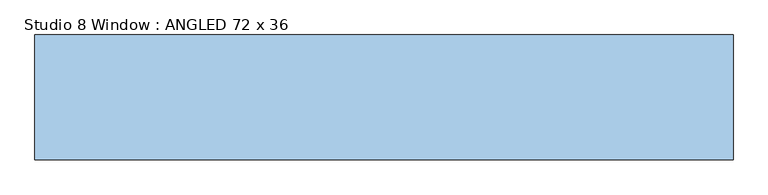
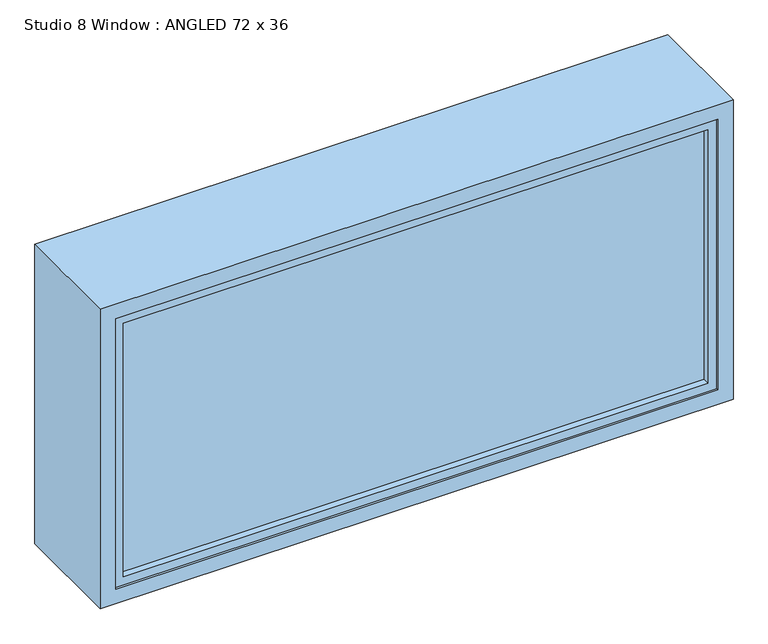
"""IFC4 building model written with IfcOpenShell, lengths in millimetres: window geometry, Studio 8 Window : ANGLED 72 x 36."""

import ifcopenshell
import ifcopenshell.guid

model = None  # the IFC model being written
_history = None  # IfcOwnerHistory: only IFC2X3 demands one
_inside = {}  # id of a spatial element -> (the spatial element, [elements in it])
_under = {}  # id of a project, library or spatial element -> (it, [spatial elements below it])
_declared = {}  # id of a project -> (the project, [libraries it declares])
_typed = {}  # id of a type object -> (the type object, [elements of that type])
_made_of = {}  # id of a material, layer set ... -> (it, [elements and type objects made of it])


def new_model(schema):
    """Start an empty IFC model of exactly this schema.

    Asked for "IFC4X3", IfcOpenShell would pick the latest addendum, in which some entities
    have other attributes; the version numbers below select the first issue.
    IFC2X3 requires an IfcOwnerHistory on every rooted entity: one is made here for all.
    """
    global model, _history
    if schema == "IFC4X3":
        model = ifcopenshell.file(schema_version=(4, 3, 0, 0))
    else:
        model = ifcopenshell.file(schema=schema)
    _inside.clear()
    _under.clear()
    _declared.clear()
    _typed.clear()
    _made_of.clear()
    _history = None
    if model.schema == "IFC2X3":
        org = make("IfcOrganization", Name="unknown")
        user = make(
            "IfcPersonAndOrganization",
            ThePerson=make("IfcPerson", FamilyName="unknown"),
            TheOrganization=org,
        )
        app = make(
            "IfcApplication",
            ApplicationDeveloper=org,
            Version="unknown",
            ApplicationFullName="unknown",
            ApplicationIdentifier="unknown",
        )
        _history = make(
            "IfcOwnerHistory",
            OwningUser=user,
            OwningApplication=app,
            ChangeAction="ADDED",
            CreationDate=0,
        )
    return model


def make(cls, **values):
    """One entity of the class cls with the attributes given. An attribute that is None is left unset."""
    return model.create_entity(
        cls, **{name: value for name, value in values.items() if value is not None}
    )


def rooted(cls, **values):
    """An entity with a GlobalId (a new one), such as an element, a storey or a relation."""
    return make(cls, GlobalId=ifcopenshell.guid.new(), OwnerHistory=_history, **values)


def si_unit(unit_type, name, prefix=None):
    """IfcSIUnit, for example si_unit("LENGTHUNIT", "METRE", prefix="MILLI")."""
    return make("IfcSIUnit", UnitType=unit_type, Prefix=prefix, Name=name)


def assignment(units):
    """IfcUnitAssignment: the units of a project."""
    return None if units is None else make("IfcUnitAssignment", Units=units)


def point(xyz):
    """IfcCartesianPoint."""
    return None if xyz is None else make("IfcCartesianPoint", Coordinates=xyz)


def direction(xyz):
    """IfcDirection."""
    return None if xyz is None else make("IfcDirection", DirectionRatios=xyz)


def frame(location, z_axis=None, x_axis=None):
    """IfcAxis2Placement3D, a coordinate frame: its origin and axes. An axis left out is left unset."""
    return make(
        "IfcAxis2Placement3D",
        Location=point(location),
        Axis=direction(z_axis),
        RefDirection=direction(x_axis),
    )


def origin():
    """The frame at (0, 0, 0) with its axes left unset."""
    return frame((0.0, 0.0, 0.0))


def place(relative_to, where):
    """IfcLocalPlacement: puts the frame where relative to a parent placement (None: the world)."""
    return make(
        "IfcLocalPlacement", PlacementRelTo=relative_to, RelativePlacement=where
    )


def context(
    kind, dimensions, precision=None, world=None, true_north=None, identifier=None
):
    """IfcGeometricRepresentationContext, for example the 3D "Model" context."""
    return make(
        "IfcGeometricRepresentationContext",
        ContextIdentifier=identifier,
        ContextType=kind,
        CoordinateSpaceDimension=dimensions,
        Precision=precision,
        WorldCoordinateSystem=world,
        TrueNorth=true_north,
    )


def project(units=None, contexts=None):
    """IfcProject with its units and contexts."""
    return rooted(
        "IfcProject",
        Name="project",
        RepresentationContexts=contexts,
        UnitsInContext=assignment(units),
    )


def spatial(cls, under=None, at=None, **own):
    """A site, building, storey or space (cls), placed at a placement, below another one or the project."""
    s = rooted(cls, ObjectPlacement=at, **own)
    if under is not None:
        _under.setdefault(under.id(), (under, []))[1].append(s)
    return s


def polyline(points):
    """IfcPolyline through the points."""
    return make("IfcPolyline", Points=[point(p) for p in points])


def outline(outer, holes=None, kind="AREA"):
    """IfcArbitraryClosedProfileDef: a profile drawn as a closed curve; with holes, ...WithVoids."""
    if holes is None:
        return make("IfcArbitraryClosedProfileDef", ProfileType=kind, OuterCurve=outer)
    return make(
        "IfcArbitraryProfileDefWithVoids",
        ProfileType=kind,
        OuterCurve=outer,
        InnerCurves=holes,
    )


def extrude(swept, where, along, depth):
    """IfcExtrudedAreaSolid: the profile swept, set in the frame where, extruded along a direction by depth."""
    return make(
        "IfcExtrudedAreaSolid",
        SweptArea=swept,
        Position=where,
        ExtrudedDirection=direction(along),
        Depth=depth,
    )


def faces_of(points, faces, orient=None, outer=None):
    """IfcFace entities. A face is a list of loops; a loop is a list of indices into points, from 0.

    orient and outer hold one flag for each loop. By default every Orientation is true, the
    first loop of a face is its IfcFaceOuterBound and the others are IfcFaceBound.
    """
    made = []
    for i, loops in enumerate(faces):
        bounds = []
        for j, loop in enumerate(loops):
            is_outer = j == 0 if outer is None else outer[i][j]
            bounds.append(
                make(
                    "IfcFaceOuterBound" if is_outer else "IfcFaceBound",
                    Bound=make("IfcPolyLoop", Polygon=[points[k] for k in loop]),
                    Orientation=True if orient is None else orient[i][j],
                )
            )
        made.append(make("IfcFace", Bounds=bounds))
    return made


def faceted_brep(points, faces, orient=None, outer=None, voids=None):
    """IfcFacetedBrep: a solid bounded by flat faces; with voids (closed shells), ...WithVoids."""
    shared = [point(p) for p in points]
    hull = make("IfcClosedShell", CfsFaces=faces_of(shared, faces, orient, outer))
    if voids is None:
        return make("IfcFacetedBrep", Outer=hull)
    return make(
        "IfcFacetedBrepWithVoids",
        Outer=hull,
        Voids=[
            make(cls, CfsFaces=faces_of(shared, fs, o, b)) for cls, fs, o, b in voids
        ],
    )


def shape(context_of_items, identifier, shape_type, items):
    """IfcShapeRepresentation: the items that make up one representation, for example the "Body"."""
    return make(
        "IfcShapeRepresentation",
        ContextOfItems=context_of_items,
        RepresentationIdentifier=identifier,
        RepresentationType=shape_type,
        Items=items,
    )


def source(mapping_origin, context_of_items, identifier, shape_type, items):
    """IfcRepresentationMap: a shape defined once, which mapped items show again and again."""
    return make(
        "IfcRepresentationMap",
        MappingOrigin=mapping_origin,
        MappedRepresentation=shape(context_of_items, identifier, shape_type, items),
    )


def transform(
    local_origin,
    x_axis=None,
    y_axis=None,
    z_axis=None,
    scale=None,
    scale2=None,
    scale3=None,
    uniform=True,
):
    """IfcCartesianTransformationOperator3D, or its non-uniform kind. x_axis, y_axis, z_axis: its Axis1, 2, 3."""
    if uniform:
        return make(
            "IfcCartesianTransformationOperator3D",
            Axis1=direction(x_axis),
            Axis2=direction(y_axis),
            LocalOrigin=point(local_origin),
            Scale=scale,
            Axis3=direction(z_axis),
        )
    return make(
        "IfcCartesianTransformationOperator3DnonUniform",
        Axis1=direction(x_axis),
        Axis2=direction(y_axis),
        LocalOrigin=point(local_origin),
        Scale=scale,
        Axis3=direction(z_axis),
        Scale2=scale2,
        Scale3=scale3,
    )


def mapped(mapping_source, mapping_target):
    """IfcMappedItem: shows the shape of a source again, moved by a transform."""
    return make(
        "IfcMappedItem", MappingSource=mapping_source, MappingTarget=mapping_target
    )


def made_of(thing, what):
    """Note that an element or type object is made of a material, layer set ...; save() writes the relation."""
    if what is not None:
        _made_of.setdefault(what.id(), (what, []))[1].append(thing)
    return thing


def element(
    cls,
    number,
    at=None,
    inside=None,
    cuts=None,
    type_object=None,
    material=None,
    context=None,
    identifier="Body",
    shape_type=None,
    held_by="IfcProductDefinitionShape",
    body=None,
    shapes=None,
    **own,
):
    """One element of the class cls, such as IfcWall. Its Tag is "e" and its number.

    at: its placement. inside: the storey or other place that contains it. cuts: it is an
    opening in that element (IfcRelVoidsElement). A single representation is given by context,
    identifier, shape_type and body (its items); several are given by shapes. held_by: the class
    of the entity that holds the representations. save() writes the other relations.
    """
    e = rooted(cls, Tag="e%d" % number, ObjectPlacement=at, **own)
    if body is not None:
        shapes = [shape(context, identifier, shape_type, body)]
    if shapes is not None:
        e.Representation = make(held_by, Representations=shapes)
    if inside is not None:
        _inside.setdefault(inside.id(), (inside, []))[1].append(e)
    if cuts is not None:
        rooted(
            "IfcRelVoidsElement", RelatingBuildingElement=cuts, RelatedOpeningElement=e
        )
    if type_object is not None:
        _typed.setdefault(type_object.id(), (type_object, []))[1].append(e)
    return made_of(e, material)


def aggregate(whole, parts):
    """IfcRelAggregates: a whole, such as a stair, and the parts it consists of."""
    return rooted("IfcRelAggregates", RelatingObject=whole, RelatedObjects=parts)


def save(model, path):
    """Write the relations noted so far, then the file.

    IfcRelAggregates (storeys below a building ...), IfcRelContainedInSpatialStructure (elements
    in a storey), IfcRelDefinesByType, IfcRelAssociatesMaterial and IfcRelDeclares: one each for
    every whole, place, type object, material and project.
    """
    for whole, parts in _under.values():
        aggregate(whole, parts)
    for where, things in _inside.values():
        rooted(
            "IfcRelContainedInSpatialStructure",
            RelatedElements=things,
            RelatingStructure=where,
        )
    for kind, things in _typed.values():
        rooted("IfcRelDefinesByType", RelatedObjects=things, RelatingType=kind)
    for what, things in _made_of.values():
        rooted("IfcRelAssociatesMaterial", RelatedObjects=things, RelatingMaterial=what)
    for by, libraries in _declared.values():
        rooted("IfcRelDeclares", RelatingContext=by, RelatedDefinitions=libraries)
    model.write(path)


def studio_8_window_angled_72_x_36_c2eb3558(model_context):
    return source(origin(), model_context, "Body", "SolidModel", [
        extrude(outline(polyline([(857.25, -76.1419262), (-857.25, -76.1419262), (-857.25, -66.4895469), (857.25, -66.4895469), (857.25, -76.1419262)])), frame((0.0, 0.0, 857.15), z_axis=(0.0, 0.0, 1.0), x_axis=(1.0, 0.0, 0.0)), (0.0, 0.0, 1.0), 800.1),
        extrude(outline(polyline([(857.25, 189.0444969), (-857.25, 189.0444969), (-857.25, 212.9214354), (857.25, 212.9214354), (857.25, 189.0444969)])), frame((0.0, 0.0, 857.15), z_axis=(0.0, 0.0, 1.0), x_axis=(1.0, 0.0, 0.0)), (0.0, 0.0, 1.0), 800.1),
        faceted_brep([(-914.4, 225.425, 1714.4), (-914.4, 225.425, 800.0), (-914.4, -101.6, 800.0), (-914.4, -101.6, 1714.4), (-869.9841948, -101.6, 1669.9841948), (-869.9841948, -101.6, 844.4158052), (-869.9841948, -96.208715, 844.4158052), (-869.9841948, -96.208715, 1669.9841948), (914.4, 225.425, 800.0), (914.4, -101.6, 800.0), (869.9841948, -101.6, 844.4158052), (869.9841948, -96.208715, 844.4158052), (914.4, 225.425, 1714.4), (914.4, -101.6, 1714.4), (869.9841948, -101.6, 1669.9841948), (869.9841948, -96.208715, 1669.9841948), (-869.9841948, 225.425, 1669.9841948), (-869.9841948, 225.425, 844.4158052), (869.9841948, 225.425, 844.4158052), (869.9841948, 225.425, 1669.9841948), (-869.9841948, 220.033715, 1669.9841948), (-869.9841948, 220.033715, 844.4158052), (-844.5831964, 180.9161775, 1644.5831964), (-844.5831964, 180.9161775, 869.8168036), (-844.5831964, 220.033715, 869.8168036), (-844.5831964, 220.033715, 1644.5831964), (-869.9841948, -57.0911775, 1669.9841948), (-869.9841948, -57.0911775, 844.4158052), (-869.9841948, 180.9161775, 844.4158052), (-869.9841948, 180.9161775, 1669.9841948), (-844.5831964, -96.208715, 1644.5831964), (-844.5831964, -96.208715, 869.8168036), (-844.5831964, -57.0911775, 869.8168036), (-844.5831964, -57.0911775, 1644.5831964), (869.9841948, 220.033715, 844.4158052), (844.5831964, 180.9161775, 869.8168036), (844.5831964, 220.033715, 869.8168036), (869.9841948, -57.0911775, 844.4158052), (869.9841948, 180.9161775, 844.4158052), (844.5831964, -96.208715, 869.8168036), (844.5831964, -57.0911775, 869.8168036), (869.9841948, 220.033715, 1669.9841948), (844.5831964, 180.9161775, 1644.5831964), (844.5831964, 220.033715, 1644.5831964), (869.9841948, -57.0911775, 1669.9841948), (869.9841948, 180.9161775, 1669.9841948), (844.5831964, -96.208715, 1644.5831964), (844.5831964, -57.0911775, 1644.5831964)], [[[0, 1, 2, 3]], [[4, 5, 6, 7]], [[1, 8, 9, 2]], [[5, 10, 11, 6]], [[8, 12, 13, 9]], [[10, 14, 15, 11]], [[12, 0, 3, 13]], [[1, 0, 12, 8], [16, 17, 18, 19]], [[14, 4, 7, 15]], [[3, 2, 9, 13], [5, 4, 14, 10]], [[20, 21, 17, 16]], [[22, 23, 24, 25]], [[26, 27, 28, 29]], [[30, 31, 32, 33]], [[21, 34, 18, 17]], [[23, 35, 36, 24]], [[27, 37, 38, 28]], [[31, 39, 40, 32]], [[34, 41, 19, 18]], [[35, 42, 43, 36]], [[37, 44, 45, 38]], [[39, 46, 47, 40]], [[41, 20, 16, 19]], [[21, 20, 41, 34], [25, 24, 36, 43]], [[42, 22, 25, 43]], [[29, 28, 38, 45], [23, 22, 42, 35]], [[44, 26, 29, 45]], [[27, 26, 44, 37], [33, 32, 40, 47]], [[46, 30, 33, 47]], [[7, 6, 11, 15], [31, 30, 46, 39]]]),
    ])


if __name__ == "__main__":
    model = new_model("IFC4")
    model_context = context("Model", 3, world=origin())
    ifc_project = project(units=[si_unit("LENGTHUNIT", "METRE", prefix="MILLI")], contexts=[model_context])
    site = spatial("IfcSite", under=ifc_project)
    building = spatial("IfcBuilding", under=site)
    placement = place(None, origin())
    studio_8_window_angled_72_x_36_shape = studio_8_window_angled_72_x_36_c2eb3558(model_context)
    element("IfcWindow", 1, ObjectType="Studio 8 Window : ANGLED 72 x 36", at=placement, inside=building, context=model_context, shape_type="MappedRepresentation", body=[
        mapped(studio_8_window_angled_72_x_36_shape, transform((0.0, 0.0, 0.0), x_axis=(1.0, 0.0, 0.0), y_axis=(0.0, 1.0, 0.0), z_axis=(0.0, 0.0, 1.0))),
    ])
    save(model, "model.ifc")
